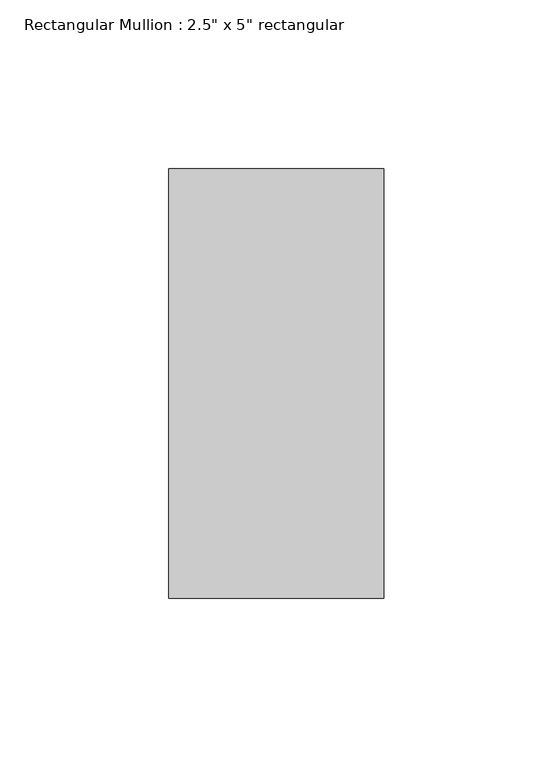
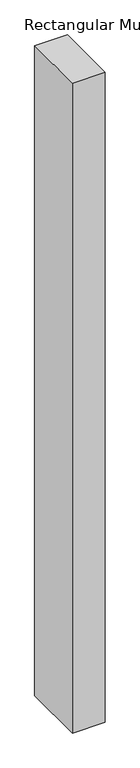
"""IFC4 building model written with IfcOpenShell, lengths in millimetres: member geometry."""

from ifc_helpers import new_model, si_unit, frame, origin, place, context, project, spatial, polyline, outline, extrude, source, transform, mapped, element, save


def member_c8d2535b(model_context):
    return source(origin(), model_context, "Body", "SweptSolid", [
        extrude(outline(polyline([(31.75, 63.5), (31.75, -63.5), (-31.75, -63.5), (-31.75, 63.5), (31.75, 63.5)])), frame((0.0, 0.0, -1338.5683586), z_axis=(0.0, 0.0, 1.0), x_axis=(1.0, 0.0, 0.0)), (0.0, 0.0, 1.0), 1338.5683586),
    ])


if __name__ == "__main__":
    model = new_model("IFC4")
    model_context = context("Model", 3, world=origin())
    ifc_project = project(units=[si_unit("LENGTHUNIT", "METRE", prefix="MILLI")], contexts=[model_context])
    site = spatial("IfcSite", under=ifc_project)
    building = spatial("IfcBuilding", under=site)
    placement = place(None, origin())
    member_shape = member_c8d2535b(model_context)
    element("IfcMember", 1, ObjectType="Rectangular Mullion : 2.5\" x 5\" rectangular", at=placement, inside=building, context=model_context, shape_type="MappedRepresentation", body=[
        mapped(member_shape, transform((0.0, 0.0, 0.0), x_axis=(1.0, 0.0, 0.0), y_axis=(0.0, 1.0, 0.0), z_axis=(0.0, 0.0, 1.0))),
    ])
    save(model, "model.ifc")
